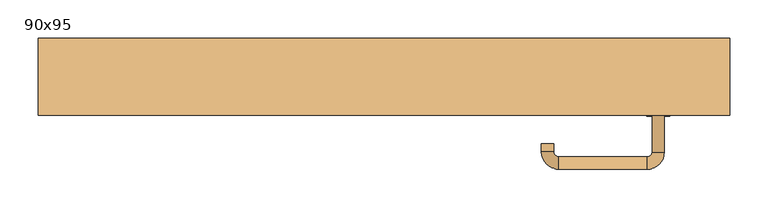
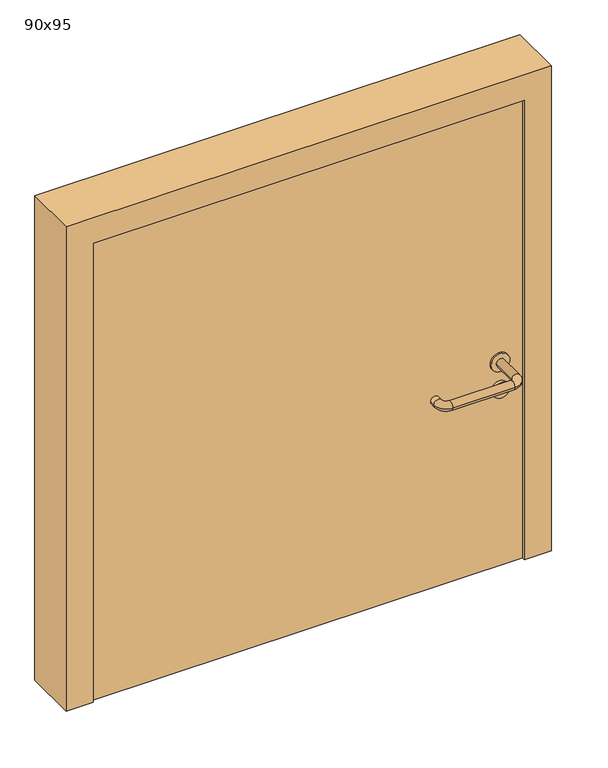
"""IFC4 building model written with IfcOpenShell, lengths in millimetres: door geometry, 90x95."""

from ifc_helpers import new_model, si_unit, point, frame, frame_2d, origin, origin_with_axes, place, context, project, spatial, polyline, circle_curve, ellipse_curve, trimmed, segment, composite_curve, outline, extrude, source, transform, mapped, element, save
from ifc_brep_helpers import plane_surface, cylinder_surface, revolved_surface, advanced_brep


def door_90x95_f7bc9b26(model_context):
    return source(origin(), model_context, "Body", "SolidModel", [
        extrude(outline(composite_curve([segment(trimmed(circle_curve(frame_2d((0.0, 15.0)), 15.0), [point((0.0, 30.0))], [point((0.0, 0.0))], False, "CARTESIAN"), True, "CONTINUOUS"), segment(trimmed(circle_curve(frame_2d((0.0, 15.0)), 15.0), [point((0.0, 0.0))], [point((0.0, 30.0))], False, "CARTESIAN"), True, "CONTINUOUS")], self_intersect=False), holes=[composite_curve([segment(trimmed(circle_curve(frame_2d((-4.7772515, 14.9398032)), 2.0), [point((-4.7772515, 16.9398032))], [point((-4.7772515, 12.9398032))], True, "CARTESIAN"), True, "CONTINUOUS"), segment(polyline([(-4.7772515, 12.9398032), (5.2227485, 12.9398032)]), True, "CONTINUOUS"), segment(trimmed(circle_curve(frame_2d((5.2227485, 14.9398032)), 2.0), [point((5.2227485, 12.9398032))], [point((5.2227485, 16.9398032))], True, "CARTESIAN"), True, "CONTINUOUS"), segment(polyline([(5.2227485, 16.9398032), (-4.7772515, 16.9398032)]), True, "CONTINUOUS")], self_intersect=False)]), frame((342.0, -76.35, 347.3605726), z_axis=(-1.8870575173328306e-12, 1.0, 0.0), x_axis=(0.0, 0.0, 1.0)), (0.0, 0.0, 1.0), 6.35),
        extrude(outline(composite_curve([segment(trimmed(circle_curve(frame_2d((0.0, 17.526)), 17.526), [point((0.0, 35.052))], [point((0.0, 0.0))], False, "CARTESIAN"), True, "CONTINUOUS"), segment(trimmed(circle_curve(frame_2d((0.0, 17.526)), 17.526), [point((0.0, 0.0))], [point((0.0, 35.052))], False, "CARTESIAN"), True, "CONTINUOUS")], self_intersect=False)), frame((339.474, -73.175, 400.0), z_axis=(-1.8870575173328306e-12, 1.0, 0.0), x_axis=(0.0, 0.0, 1.0)), (0.0, 0.0, 1.0), 3.175),
        advanced_brep(
        [(365.0, -70.0, 400.0), (349.0, -70.0, 400.0), (349.0, -123.0, 400.0), (365.0, -123.0, 400.0), (342.8578644, -129.1421356, 400.0), (342.8578644, -145.1421356, 400.0), (227.8578644, -129.1421356, 400.0), (227.8578644, -145.1421356, 400.0), (221.008622, -122.2928932, 400.0), (205.008622, -122.2928932, 400.0), (205.008622, -112.2928932, 400.0), (221.008622, -112.2928932, 400.0)],
        [
            (0, 1, circle_curve(frame((357.0, -70.0, 400.0), z_axis=(-1.888672253512351e-12, 1.0, 0.0), x_axis=(-1.0, -1.888672253512351e-12, 0.0)), 8.0)),
            (1, 0, circle_curve(frame((357.0, -70.0, 400.0), z_axis=(-1.888672253512351e-12, 1.0, 0.0), x_axis=(-1.0, -1.888672253512351e-12, 0.0)), 8.0)),
            (1, 2),
            (2, 3, circle_curve(frame((357.0, -123.0, 400.0), z_axis=(-1.888672253512351e-12, 1.0, 0.0), x_axis=(-1.0, -1.888672253512351e-12, 0.0)), 8.0)),
            (3, 0),
            (3, 2, circle_curve(frame((357.0, -123.0, 400.0), z_axis=(-1.888672253512351e-12, 1.0, 0.0), x_axis=(-1.0, -1.888672253512351e-12, 0.0)), 8.0)),
            (4, 5, circle_curve(frame((342.8578644, -137.1421356, 400.0), z_axis=(1.0, 1.913702061528922e-12, 0.0), x_axis=(-1.913702061528922e-12, 1.0, 0.0)), 8.0)),
            (5, 3, circle_curve(frame((342.8578644, -123.0, 400.0), z_axis=(0.0, 0.0, 1.0), x_axis=(1.0, 1.880717803715015e-12, 0.0)), 22.1421356)),
            (2, 4, circle_curve(frame((342.8578644, -123.0, 400.0), z_axis=(0.0, 0.0, -1.0), x_axis=(1.0, 1.880717803715015e-12, 0.0)), 6.1421356)),
            (5, 4, circle_curve(frame((342.8578644, -137.1421356, 400.0), z_axis=(1.0, 1.913702061528922e-12, 0.0), x_axis=(-1.913702061528922e-12, 1.0, 0.0)), 8.0)),
            (4, 6),
            (6, 7, circle_curve(frame((227.8578644, -137.1421356, 400.0), z_axis=(1.0, 1.913719828541269e-12, 0.0), x_axis=(-1.913719828541269e-12, 1.0, 0.0)), 8.0)),
            (7, 5),
            (7, 6, circle_curve(frame((227.8578644, -137.1421356, 400.0), z_axis=(1.0, 1.913719828541269e-12, 0.0), x_axis=(-1.913719828541269e-12, 1.0, 0.0)), 8.0)),
            (8, 9, circle_curve(frame((213.008622, -122.2928932, 400.0), z_axis=(1.8888942981172756e-12, -1.0, 0.0), x_axis=(1.0, 1.8888942981172756e-12, 0.0)), 8.0)),
            (9, 7, circle_curve(frame((227.8578644, -122.2928932, 400.0), z_axis=(0.0, 0.0, 1.0), x_axis=(1.9120873253494017e-12, -1.0, 0.0)), 22.8492424)),
            (6, 8, circle_curve(frame((227.8578644, -122.2928932, 400.0), z_axis=(0.0, 0.0, -1.0), x_axis=(1.9120873253494017e-12, -1.0, 0.0)), 6.8492424)),
            (9, 8, circle_curve(frame((213.008622, -122.2928932, 400.0), z_axis=(1.890448610351751e-12, -1.0, 0.0), x_axis=(1.0, 1.890448610351751e-12, 0.0)), 8.0)),
            (10, 11, circle_curve(frame((213.008622, -112.2928932, 400.0), z_axis=(-1.8903642334018795e-12, 1.0, 0.0), x_axis=(1.0, 1.8903642334018795e-12, 0.0)), 8.0)),
            (11, 10, circle_curve(frame((213.008622, -112.2928932, 400.0), z_axis=(-1.8903642334018795e-12, 1.0, 0.0), x_axis=(1.0, 1.8903642334018795e-12, 0.0)), 8.0)),
            (8, 11),
            (10, 9),
        ],
        [
            plane_surface(frame((357.0, -70.0, 0.0), z_axis=(-1.8870575173328306e-12, 1.0, 0.0), x_axis=(0.0, 0.0, 1.0))),
            cylinder_surface(frame((357.0, -70.0, 400.0), z_axis=(-1.888672253512351e-12, 1.0, 0.0), x_axis=(-1.0, -1.888672253512351e-12, 0.0)), 8.0),
            revolved_surface(trimmed(ellipse_curve(frame((357.0, -123.0, 400.0), z_axis=(1.8823325398945356e-12, -1.0, 0.0), x_axis=(-1.0, -1.8823325398945356e-12, 0.0)), 8.0, 8.0), [point((365.0, -123.0, 400.0))], [point((349.0, -123.0, 400.0))], True, "CARTESIAN"), (342.8578644, -123.0, 0.0), (0.0, 0.0, 1.0)),
            revolved_surface(trimmed(ellipse_curve(frame((357.0, -123.0, 400.0), z_axis=(1.8823325398945356e-12, -1.0, 0.0), x_axis=(-1.0, -1.8823325398945356e-12, 0.0)), 8.0, 8.0), [point((349.0, -123.0, 400.0))], [point((365.0, -123.0, 400.0))], True, "CARTESIAN"), (342.8578644, -123.0, 0.0), (0.0, 0.0, 1.0)),
            cylinder_surface(frame((342.8578644, -137.1421356, 400.0), z_axis=(1.0, 1.913719828541269e-12, 0.0), x_axis=(-1.913719828541269e-12, 1.0, 0.0)), 8.0),
            revolved_surface(trimmed(ellipse_curve(frame((227.8578644, -137.1421356, 400.0), z_axis=(-1.0, -1.913702061528922e-12, 0.0), x_axis=(-1.913702061528922e-12, 1.0, 0.0)), 8.0, 8.0), [point((227.8578644, -145.1421356, 400.0))], [point((227.8578644, -129.1421356, 400.0))], True, "CARTESIAN"), (227.8578644, -122.2928932, 0.0), (0.0, 0.0, 1.0)),
            revolved_surface(trimmed(ellipse_curve(frame((227.8578644, -137.1421356, 400.0), z_axis=(-1.0, -1.913702061528922e-12, 0.0), x_axis=(-1.913702061528922e-12, 1.0, 0.0)), 8.0, 8.0), [point((227.8578644, -129.1421356, 400.0))], [point((227.8578644, -145.1421356, 400.0))], True, "CARTESIAN"), (227.8578644, -122.2928932, 0.0), (0.0, 0.0, 1.0)),
            plane_surface(frame((213.008622, -112.2928932, 0.0), z_axis=(-1.8887494972223595e-12, 1.0, 0.0), x_axis=(0.0, 0.0, 1.0))),
            cylinder_surface(frame((213.008622, -122.2928932, 400.0), z_axis=(1.8903642334018795e-12, -1.0, 0.0), x_axis=(1.0, 1.8903642334018795e-12, 0.0)), 8.0),
        ],
        [
            (0, [[1, 2]]),
            (1, [[3, 4, 5, -2]]),
            (1, [[-5, 6, -3, -1]]),
            (2, [[7, 8, -4, 9]]),
            (3, [[10, -9, -6, -8]]),
            (4, [[11, 12, 13, -7]]),
            (4, [[-13, 14, -11, -10]]),
            (5, [[15, 16, -12, 17]]),
            (6, [[18, -17, -14, -16]]),
            (7, [[19, 20]]),
            (8, [[21, -19, 22, -15]]),
            (8, [[-22, -20, -21, -18]]),
        ],
    ),
        extrude(outline(polyline([(900.0, 400.0), (0.0, 400.0), (0.0, 450.0), (950.0, 450.0), (950.0, -450.0), (0.0, -450.0), (0.0, -400.0), (900.0, -400.0), (900.0, 400.0)])), frame((0.0, -75.0, 0.0), z_axis=(0.0, 1.0, 0.0), x_axis=(0.0, 0.0, 1.0)), (0.0, 0.0, 1.0), 100.0),
        extrude(outline(polyline([(-400.0, -70.0), (-400.0, -40.0), (400.0, -40.0), (400.0, -70.0), (-400.0, -70.0)])), origin_with_axes(), (0.0, 0.0, 1.0), 900.0),
    ])


if __name__ == "__main__":
    model = new_model("IFC4")
    model_context = context("Model", 3, world=origin())
    ifc_project = project(units=[si_unit("LENGTHUNIT", "METRE", prefix="MILLI")], contexts=[model_context])
    site = spatial("IfcSite", under=ifc_project)
    building = spatial("IfcBuilding", under=site)
    placement = place(None, origin())
    door_90x95_shape = door_90x95_f7bc9b26(model_context)
    element("IfcDoor", 1, ObjectType="90x95", at=placement, inside=building, context=model_context, shape_type="MappedRepresentation", body=[
        mapped(door_90x95_shape, transform((0.0, 0.0, 0.0), x_axis=(1.0, 0.0, 0.0), y_axis=(0.0, 1.0, 0.0), z_axis=(0.0, 0.0, 1.0))),
    ])
    save(model, "model.ifc")
